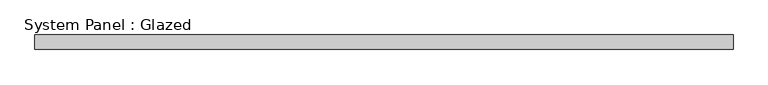
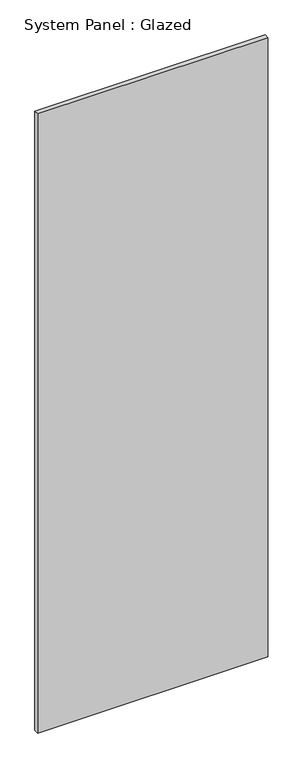
"""IFC4 building model written with IfcOpenShell, lengths in millimetres: plate geometry, System Panel : Glazed."""

from ifc_helpers import new_model, si_unit, origin, origin_with_axes, place, context, project, spatial, polyline, outline, extrude, source, transform, mapped, element, save


def system_panel_glazed_84b51a62(model_context):
    return source(origin(), model_context, "Body", "SweptSolid", [
        extrude(outline(polyline([(615.95, -44.45), (-615.95, -44.45), (-615.95, -19.05), (615.95, -19.05), (615.95, -44.45)])), origin_with_axes(), (0.0, 0.0, 1.0), 3505.2),
    ])


if __name__ == "__main__":
    model = new_model("IFC4")
    model_context = context("Model", 3, world=origin())
    ifc_project = project(units=[si_unit("LENGTHUNIT", "METRE", prefix="MILLI")], contexts=[model_context])
    site = spatial("IfcSite", under=ifc_project)
    building = spatial("IfcBuilding", under=site)
    placement = place(None, origin())
    system_panel_glazed_shape = system_panel_glazed_84b51a62(model_context)
    element("IfcPlate", 1, ObjectType="System Panel : Glazed", at=placement, inside=building, context=model_context, shape_type="MappedRepresentation", body=[
        mapped(system_panel_glazed_shape, transform((0.0, 0.0, 0.0), x_axis=(1.0, 0.0, 0.0), y_axis=(0.0, 1.0, 0.0), z_axis=(0.0, 0.0, 1.0))),
    ])
    save(model, "model.ifc")
